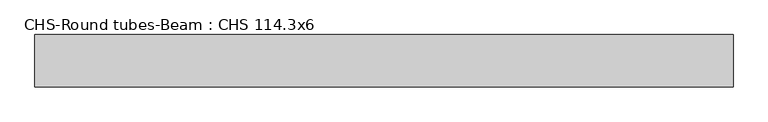
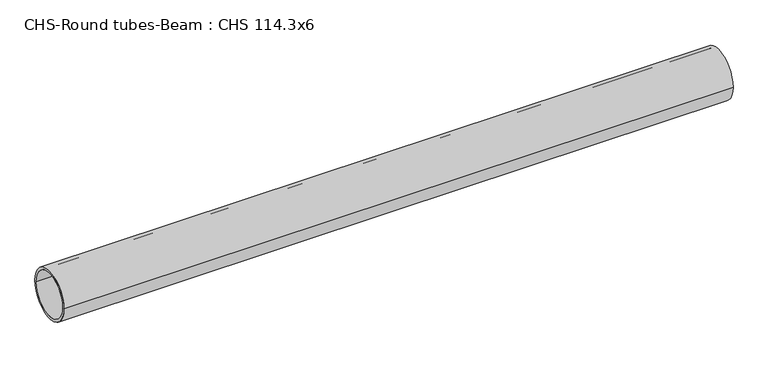
"""IFC4 building model written with IfcOpenShell, lengths in millimetres: beam geometry, CHS-Round tubes-Beam : CHS 114.3x6."""

from ifc_helpers import new_model, si_unit, point, frame, origin, origin_2d, place, context, project, spatial, circle_curve, trimmed, segment, composite_curve, outline, extrude, source, transform, mapped, element, save


def chs_round_tubes_beam_chs_114_3x6_c2817899(model_context):
    return source(origin(), model_context, "Body", "SweptSolid", [
        extrude(outline(composite_curve([segment(trimmed(circle_curve(origin_2d(), 57.15), [point((57.15, 0.0))], [point((-57.15, 0.0))], False, "CARTESIAN"), True, "CONTINUOUS"), segment(trimmed(circle_curve(origin_2d(), 57.15), [point((-57.15, 0.0))], [point((57.15, 0.0))], False, "CARTESIAN"), True, "CONTINUOUS")], self_intersect=False), holes=[composite_curve([segment(trimmed(circle_curve(origin_2d(), 51.15), [point((51.15, 0.0))], [point((-51.15, 0.0))], True, "CARTESIAN"), True, "CONTINUOUS"), segment(trimmed(circle_curve(origin_2d(), 51.15), [point((-51.15, 0.0))], [point((51.15, 0.0))], True, "CARTESIAN"), True, "CONTINUOUS")], self_intersect=False)]), frame((-776.5652469, 0.0, 0.0), z_axis=(1.0, 0.0, 0.0), x_axis=(0.0, 1.0, 0.0)), (0.0, 0.0, 1.0), 1526.647142),
    ])


if __name__ == "__main__":
    model = new_model("IFC4")
    model_context = context("Model", 3, world=origin())
    ifc_project = project(units=[si_unit("LENGTHUNIT", "METRE", prefix="MILLI")], contexts=[model_context])
    site = spatial("IfcSite", under=ifc_project)
    building = spatial("IfcBuilding", under=site)
    placement = place(None, origin())
    chs_round_tubes_beam_chs_114_3x6_shape = chs_round_tubes_beam_chs_114_3x6_c2817899(model_context)
    element("IfcBeam", 1, ObjectType="CHS-Round tubes-Beam : CHS 114.3x6", at=placement, inside=building, context=model_context, shape_type="MappedRepresentation", body=[
        mapped(chs_round_tubes_beam_chs_114_3x6_shape, transform((0.0, 0.0, 0.0), x_axis=(1.0, 0.0, 0.0), y_axis=(0.0, 1.0, 0.0), z_axis=(0.0, 0.0, 1.0))),
    ])
    save(model, "model.ifc")
